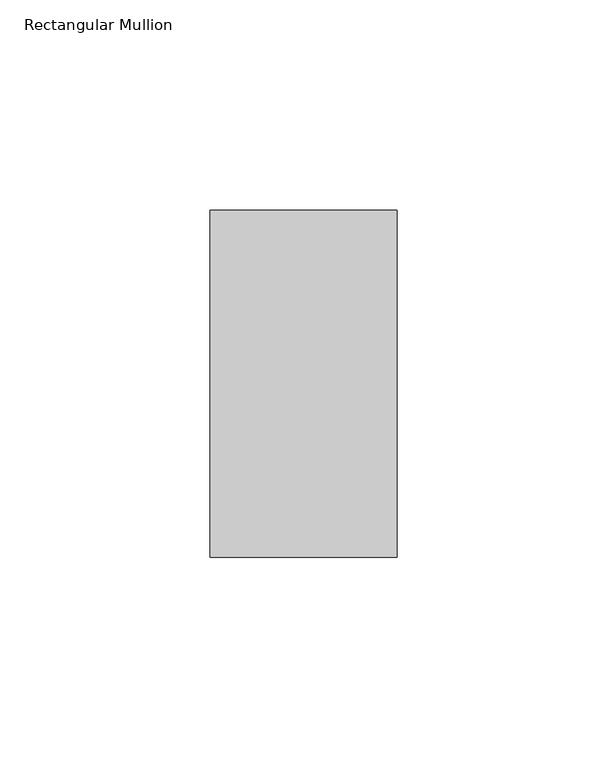
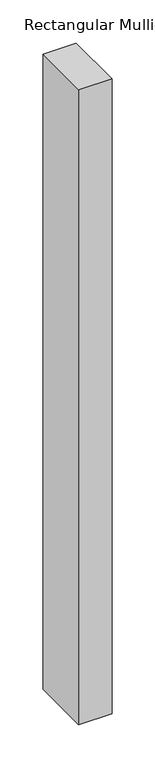
"""IFC4 building model written with IfcOpenShell, lengths in millimetres: member geometry, Rectangular Mullion."""

import ifcopenshell
import ifcopenshell.guid

model = None  # the IFC model being written
_history = None  # IfcOwnerHistory: only IFC2X3 demands one
_inside = {}  # id of a spatial element -> (the spatial element, [elements in it])
_under = {}  # id of a project, library or spatial element -> (it, [spatial elements below it])
_declared = {}  # id of a project -> (the project, [libraries it declares])
_typed = {}  # id of a type object -> (the type object, [elements of that type])
_made_of = {}  # id of a material, layer set ... -> (it, [elements and type objects made of it])


def new_model(schema):
    """Start an empty IFC model of exactly this schema.

    Asked for "IFC4X3", IfcOpenShell would pick the latest addendum, in which some entities
    have other attributes; the version numbers below select the first issue.
    IFC2X3 requires an IfcOwnerHistory on every rooted entity: one is made here for all.
    """
    global model, _history
    if schema == "IFC4X3":
        model = ifcopenshell.file(schema_version=(4, 3, 0, 0))
    else:
        model = ifcopenshell.file(schema=schema)
    _inside.clear()
    _under.clear()
    _declared.clear()
    _typed.clear()
    _made_of.clear()
    _history = None
    if model.schema == "IFC2X3":
        org = make("IfcOrganization", Name="unknown")
        user = make(
            "IfcPersonAndOrganization",
            ThePerson=make("IfcPerson", FamilyName="unknown"),
            TheOrganization=org,
        )
        app = make(
            "IfcApplication",
            ApplicationDeveloper=org,
            Version="unknown",
            ApplicationFullName="unknown",
            ApplicationIdentifier="unknown",
        )
        _history = make(
            "IfcOwnerHistory",
            OwningUser=user,
            OwningApplication=app,
            ChangeAction="ADDED",
            CreationDate=0,
        )
    return model


def make(cls, **values):
    """One entity of the class cls with the attributes given. An attribute that is None is left unset."""
    return model.create_entity(
        cls, **{name: value for name, value in values.items() if value is not None}
    )


def rooted(cls, **values):
    """An entity with a GlobalId (a new one), such as an element, a storey or a relation."""
    return make(cls, GlobalId=ifcopenshell.guid.new(), OwnerHistory=_history, **values)


def si_unit(unit_type, name, prefix=None):
    """IfcSIUnit, for example si_unit("LENGTHUNIT", "METRE", prefix="MILLI")."""
    return make("IfcSIUnit", UnitType=unit_type, Prefix=prefix, Name=name)


def assignment(units):
    """IfcUnitAssignment: the units of a project."""
    return None if units is None else make("IfcUnitAssignment", Units=units)


def point(xyz):
    """IfcCartesianPoint."""
    return None if xyz is None else make("IfcCartesianPoint", Coordinates=xyz)


def direction(xyz):
    """IfcDirection."""
    return None if xyz is None else make("IfcDirection", DirectionRatios=xyz)


def frame(location, z_axis=None, x_axis=None):
    """IfcAxis2Placement3D, a coordinate frame: its origin and axes. An axis left out is left unset."""
    return make(
        "IfcAxis2Placement3D",
        Location=point(location),
        Axis=direction(z_axis),
        RefDirection=direction(x_axis),
    )


def origin():
    """The frame at (0, 0, 0) with its axes left unset."""
    return frame((0.0, 0.0, 0.0))


def place(relative_to, where):
    """IfcLocalPlacement: puts the frame where relative to a parent placement (None: the world)."""
    return make(
        "IfcLocalPlacement", PlacementRelTo=relative_to, RelativePlacement=where
    )


def context(
    kind, dimensions, precision=None, world=None, true_north=None, identifier=None
):
    """IfcGeometricRepresentationContext, for example the 3D "Model" context."""
    return make(
        "IfcGeometricRepresentationContext",
        ContextIdentifier=identifier,
        ContextType=kind,
        CoordinateSpaceDimension=dimensions,
        Precision=precision,
        WorldCoordinateSystem=world,
        TrueNorth=true_north,
    )


def project(units=None, contexts=None):
    """IfcProject with its units and contexts."""
    return rooted(
        "IfcProject",
        Name="project",
        RepresentationContexts=contexts,
        UnitsInContext=assignment(units),
    )


def spatial(cls, under=None, at=None, **own):
    """A site, building, storey or space (cls), placed at a placement, below another one or the project."""
    s = rooted(cls, ObjectPlacement=at, **own)
    if under is not None:
        _under.setdefault(under.id(), (under, []))[1].append(s)
    return s


def polyline(points):
    """IfcPolyline through the points."""
    return make("IfcPolyline", Points=[point(p) for p in points])


def outline(outer, holes=None, kind="AREA"):
    """IfcArbitraryClosedProfileDef: a profile drawn as a closed curve; with holes, ...WithVoids."""
    if holes is None:
        return make("IfcArbitraryClosedProfileDef", ProfileType=kind, OuterCurve=outer)
    return make(
        "IfcArbitraryProfileDefWithVoids",
        ProfileType=kind,
        OuterCurve=outer,
        InnerCurves=holes,
    )


def extrude(swept, where, along, depth):
    """IfcExtrudedAreaSolid: the profile swept, set in the frame where, extruded along a direction by depth."""
    return make(
        "IfcExtrudedAreaSolid",
        SweptArea=swept,
        Position=where,
        ExtrudedDirection=direction(along),
        Depth=depth,
    )


def shape(context_of_items, identifier, shape_type, items):
    """IfcShapeRepresentation: the items that make up one representation, for example the "Body"."""
    return make(
        "IfcShapeRepresentation",
        ContextOfItems=context_of_items,
        RepresentationIdentifier=identifier,
        RepresentationType=shape_type,
        Items=items,
    )


def source(mapping_origin, context_of_items, identifier, shape_type, items):
    """IfcRepresentationMap: a shape defined once, which mapped items show again and again."""
    return make(
        "IfcRepresentationMap",
        MappingOrigin=mapping_origin,
        MappedRepresentation=shape(context_of_items, identifier, shape_type, items),
    )


def transform(
    local_origin,
    x_axis=None,
    y_axis=None,
    z_axis=None,
    scale=None,
    scale2=None,
    scale3=None,
    uniform=True,
):
    """IfcCartesianTransformationOperator3D, or its non-uniform kind. x_axis, y_axis, z_axis: its Axis1, 2, 3."""
    if uniform:
        return make(
            "IfcCartesianTransformationOperator3D",
            Axis1=direction(x_axis),
            Axis2=direction(y_axis),
            LocalOrigin=point(local_origin),
            Scale=scale,
            Axis3=direction(z_axis),
        )
    return make(
        "IfcCartesianTransformationOperator3DnonUniform",
        Axis1=direction(x_axis),
        Axis2=direction(y_axis),
        LocalOrigin=point(local_origin),
        Scale=scale,
        Axis3=direction(z_axis),
        Scale2=scale2,
        Scale3=scale3,
    )


def mapped(mapping_source, mapping_target):
    """IfcMappedItem: shows the shape of a source again, moved by a transform."""
    return make(
        "IfcMappedItem", MappingSource=mapping_source, MappingTarget=mapping_target
    )


def made_of(thing, what):
    """Note that an element or type object is made of a material, layer set ...; save() writes the relation."""
    if what is not None:
        _made_of.setdefault(what.id(), (what, []))[1].append(thing)
    return thing


def element(
    cls,
    number,
    at=None,
    inside=None,
    cuts=None,
    type_object=None,
    material=None,
    context=None,
    identifier="Body",
    shape_type=None,
    held_by="IfcProductDefinitionShape",
    body=None,
    shapes=None,
    **own,
):
    """One element of the class cls, such as IfcWall. Its Tag is "e" and its number.

    at: its placement. inside: the storey or other place that contains it. cuts: it is an
    opening in that element (IfcRelVoidsElement). A single representation is given by context,
    identifier, shape_type and body (its items); several are given by shapes. held_by: the class
    of the entity that holds the representations. save() writes the other relations.
    """
    e = rooted(cls, Tag="e%d" % number, ObjectPlacement=at, **own)
    if body is not None:
        shapes = [shape(context, identifier, shape_type, body)]
    if shapes is not None:
        e.Representation = make(held_by, Representations=shapes)
    if inside is not None:
        _inside.setdefault(inside.id(), (inside, []))[1].append(e)
    if cuts is not None:
        rooted(
            "IfcRelVoidsElement", RelatingBuildingElement=cuts, RelatedOpeningElement=e
        )
    if type_object is not None:
        _typed.setdefault(type_object.id(), (type_object, []))[1].append(e)
    return made_of(e, material)


def aggregate(whole, parts):
    """IfcRelAggregates: a whole, such as a stair, and the parts it consists of."""
    return rooted("IfcRelAggregates", RelatingObject=whole, RelatedObjects=parts)


def save(model, path):
    """Write the relations noted so far, then the file.

    IfcRelAggregates (storeys below a building ...), IfcRelContainedInSpatialStructure (elements
    in a storey), IfcRelDefinesByType, IfcRelAssociatesMaterial and IfcRelDeclares: one each for
    every whole, place, type object, material and project.
    """
    for whole, parts in _under.values():
        aggregate(whole, parts)
    for where, things in _inside.values():
        rooted(
            "IfcRelContainedInSpatialStructure",
            RelatedElements=things,
            RelatingStructure=where,
        )
    for kind, things in _typed.values():
        rooted("IfcRelDefinesByType", RelatedObjects=things, RelatingType=kind)
    for what, things in _made_of.values():
        rooted("IfcRelAssociatesMaterial", RelatedObjects=things, RelatingMaterial=what)
    for by, libraries in _declared.values():
        rooted("IfcRelDeclares", RelatingContext=by, RelatedDefinitions=libraries)
    model.write(path)


def rectangular_mullion_f8f73740(model_context):
    return source(origin(), model_context, "Body", "SweptSolid", [
        extrude(outline(polyline([(0.0, 33.3375), (0.0, -49.2125), (-44.45, -49.2125), (-44.45, 33.3375), (0.0, 33.3375)])), frame((0.0, 0.0, -898.525), z_axis=(0.0, 0.0, 1.0), x_axis=(1.0, 0.0, 0.0)), (0.0, 0.0, 1.0), 898.525),
    ])


if __name__ == "__main__":
    model = new_model("IFC4")
    model_context = context("Model", 3, world=origin())
    ifc_project = project(units=[si_unit("LENGTHUNIT", "METRE", prefix="MILLI")], contexts=[model_context])
    site = spatial("IfcSite", under=ifc_project)
    building = spatial("IfcBuilding", under=site)
    placement = place(None, origin())
    rectangular_mullion_shape = rectangular_mullion_f8f73740(model_context)
    element("IfcMember", 1, ObjectType="Rectangular Mullion", at=placement, inside=building, context=model_context, shape_type="MappedRepresentation", body=[
        mapped(rectangular_mullion_shape, transform((0.0, 0.0, 0.0), x_axis=(1.0, 0.0, 0.0), y_axis=(0.0, 1.0, 0.0), z_axis=(0.0, 0.0, 1.0))),
    ])
    save(model, "model.ifc")
